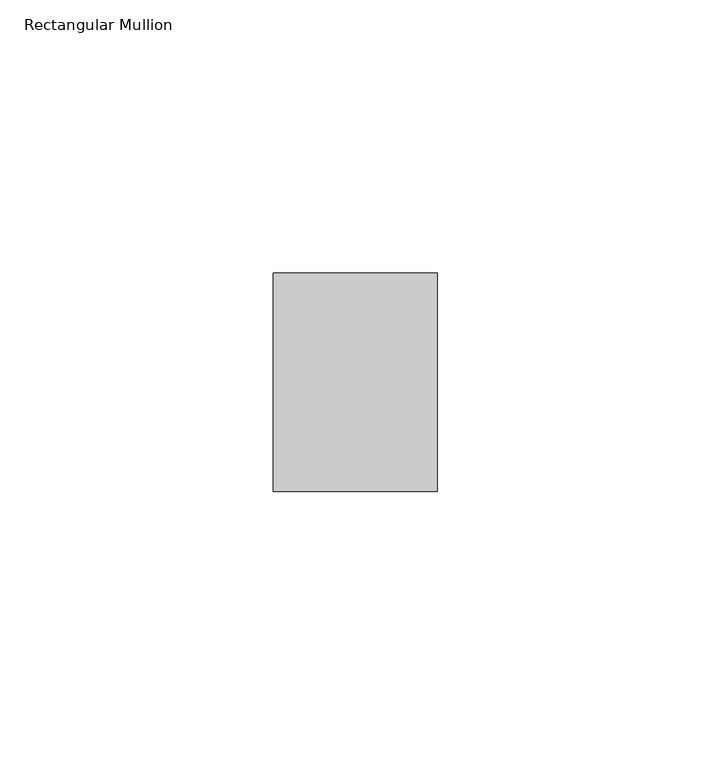
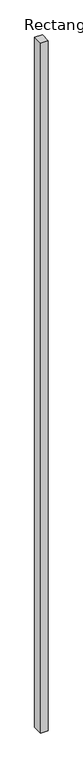
"""IFC4 building model written with IfcOpenShell, lengths in millimetres: member geometry, Rectangular Mullion."""

from ifc_helpers import new_model, si_unit, frame, origin, place, context, project, spatial, polyline, outline, extrude, source, transform, mapped, element, save


def rectangular_mullion_35f0e708(model_context):
    return source(origin(), model_context, "Body", "SweptSolid", [
        extrude(outline(polyline([(0.0, 52.0), (0.0, 12.0), (-30.0, 12.0), (-30.0, 52.0), (0.0, 52.0)])), frame((0.0, 0.0, -2850.0), z_axis=(0.0, 0.0, 1.0), x_axis=(1.0, 0.0, 0.0)), (0.0, 0.0, 1.0), 2850.0),
    ])


if __name__ == "__main__":
    model = new_model("IFC4")
    model_context = context("Model", 3, world=origin())
    ifc_project = project(units=[si_unit("LENGTHUNIT", "METRE", prefix="MILLI")], contexts=[model_context])
    site = spatial("IfcSite", under=ifc_project)
    building = spatial("IfcBuilding", under=site)
    placement = place(None, origin())
    rectangular_mullion_shape = rectangular_mullion_35f0e708(model_context)
    element("IfcMember", 1, ObjectType="Rectangular Mullion", at=placement, inside=building, context=model_context, shape_type="MappedRepresentation", body=[
        mapped(rectangular_mullion_shape, transform((0.0, 0.0, 0.0), x_axis=(1.0, 0.0, 0.0), y_axis=(0.0, 1.0, 0.0), z_axis=(0.0, 0.0, 1.0))),
    ])
    save(model, "model.ifc")
